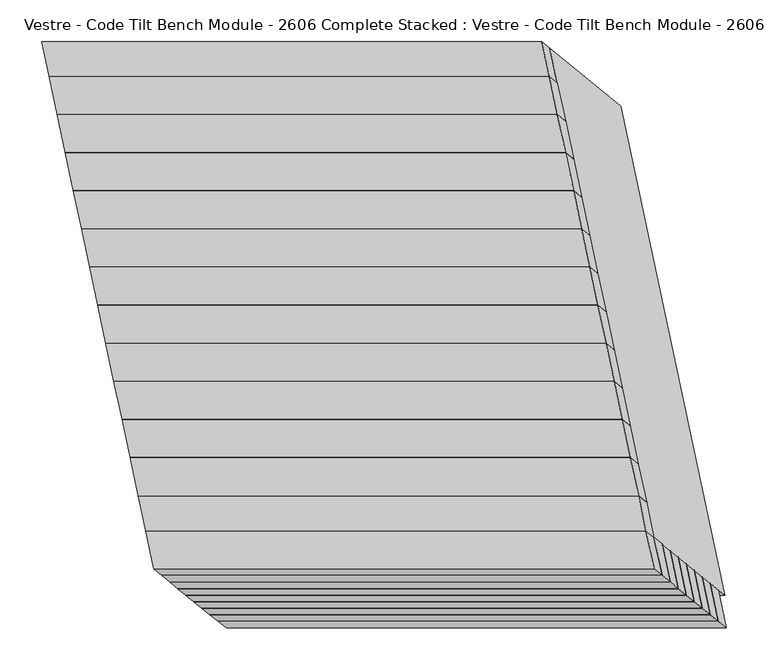
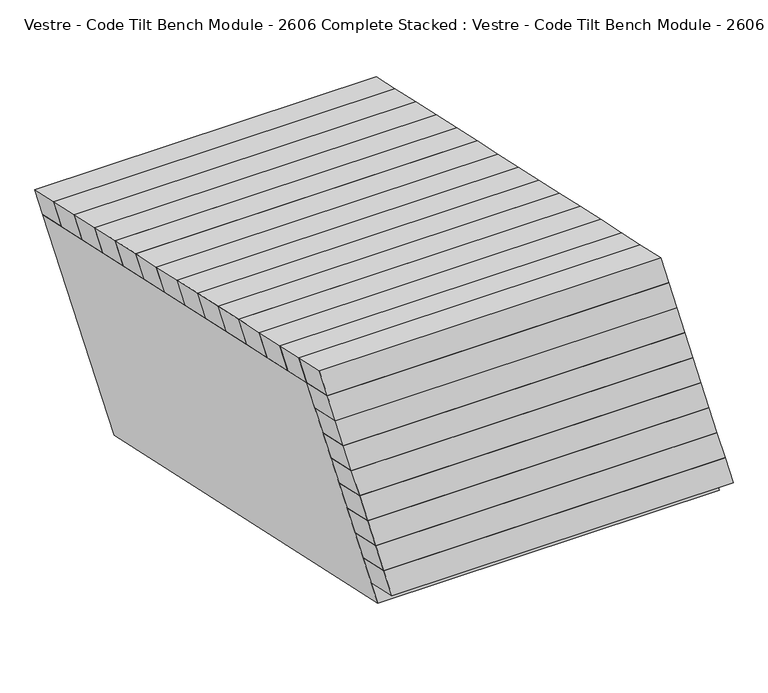
"""IFC4 building model written with IfcOpenShell, lengths in millimetres: furniture geometry, Vestre - Code Tilt Bench Module - 2606 Complete Stacked : Vestre - Code Tilt Bench Module - 2606 Complete Stacked."""

from ifc_helpers import new_model, si_unit, origin, place, context, project, spatial, faceted_brep, source, transform, mapped, element, save


def vestre_code_tilt_bench_module_2606_complete_stacked_vestre_22e9a90b(model_context):
    return source(origin(), model_context, "Body", "Brep", [
        faceted_brep([(-312.8179641, -200.279193, 817.7590999), (287.1820359, -200.279193, 817.7590999), (277.4250054, -154.3759734, 817.7590999), (-322.5749946, -154.3759734, 817.7590999), (-303.1765275, -208.1539076, 772.6919126), (-312.9335581, -162.2506881, 772.6919126), (287.0664419, -162.2506881, 772.6919126), (296.8234725, -208.1539076, 772.6919126)], [[[0, 1, 2, 3]], [[4, 5, 6, 7]], [[4, 7, 1, 0]], [[7, 6, 2, 1]], [[6, 5, 3, 2]], [[5, 4, 0, 3]]]),
        faceted_brep([(-341.1105248, -104.6578383, 862.9456861), (258.8894752, -104.6578383, 862.9456861), (249.1652085, -58.9087607, 862.9456861), (-350.8347915, -58.9087607, 862.9456861), (-331.4646537, -112.5534159, 817.7590999), (-341.1889203, -66.8043382, 817.7590999), (258.8110797, -66.8043382, 817.7590999), (268.5353463, -112.5534159, 817.7590999)], [[[0, 1, 2, 3]], [[4, 5, 6, 7]], [[4, 7, 1, 0]], [[7, 6, 2, 1]], [[6, 5, 3, 2]], [[5, 4, 0, 3]]]),
        faceted_brep([(-350.8347915, -58.9087607, 862.9456861), (249.1652085, -58.9087607, 862.9456861), (239.4409419, -13.159683, 862.9456861), (-360.5590581, -13.159683, 862.9456861), (-341.1889203, -66.8043382, 817.7590999), (-350.913187, -21.0552605, 817.7590999), (249.086813, -21.0552605, 817.7590999), (258.8110797, -66.8043382, 817.7590999)], [[[0, 1, 2, 3]], [[4, 5, 6, 7]], [[4, 7, 1, 0]], [[7, 6, 2, 1]], [[6, 5, 3, 2]], [[5, 4, 0, 3]]]),
        faceted_brep([(-360.5590581, -13.159683, 862.9456861), (239.4409419, -13.159683, 862.9456861), (229.7166753, 32.5893947, 862.9456861), (-370.2833247, 32.5893947, 862.9456861), (-350.913187, -21.0552605, 817.7590999), (-360.6374536, 24.6938171, 817.7590999), (239.3625464, 24.6938171, 817.7590999), (249.086813, -21.0552605, 817.7590999)], [[[0, 1, 2, 3]], [[4, 5, 6, 7]], [[4, 7, 1, 0]], [[7, 6, 2, 1]], [[6, 5, 3, 2]], [[5, 4, 0, 3]]]),
        faceted_brep([(-370.2833247, 32.5893947, 862.9456861), (229.7166753, 32.5893947, 862.9456861), (219.9924086, 78.3384723, 862.9456861), (-380.0075914, 78.3384723, 862.9456861), (-360.6374536, 24.6938171, 817.7590999), (-370.3617203, 70.4428948, 817.7590999), (229.6382797, 70.4428948, 817.7590999), (239.3625464, 24.6938171, 817.7590999)], [[[0, 1, 2, 3]], [[4, 5, 6, 7]], [[4, 7, 1, 0]], [[7, 6, 2, 1]], [[6, 5, 3, 2]], [[5, 4, 0, 3]]]),
        faceted_brep([(-380.0075914, 78.3384723, 862.9456861), (219.9924086, 78.3384723, 862.9456861), (210.268142, 124.08755, 862.9456861), (-389.731858, 124.08755, 862.9456861), (-370.3617203, 70.4428948, 817.7590999), (-380.0859869, 116.1919724, 817.7590999), (219.9140131, 116.1919724, 817.7590999), (229.6382797, 70.4428948, 817.7590999)], [[[0, 1, 2, 3]], [[4, 5, 6, 7]], [[4, 7, 1, 0]], [[7, 6, 2, 1]], [[6, 5, 3, 2]], [[5, 4, 0, 3]]]),
        faceted_brep([(-389.731858, 124.08755, 862.9456861), (210.268142, 124.08755, 862.9456861), (200.5438753, 169.8366276, 862.9456861), (-399.4561247, 169.8366276, 862.9456861), (-380.0859869, 116.1919724, 817.7590999), (-389.8102536, 161.9410501, 817.7590999), (210.1897464, 161.9410501, 817.7590999), (219.9140131, 116.1919724, 817.7590999)], [[[0, 1, 2, 3]], [[4, 5, 6, 7]], [[4, 7, 1, 0]], [[7, 6, 2, 1]], [[6, 5, 3, 2]], [[5, 4, 0, 3]]]),
        faceted_brep([(-399.4561247, 169.8366276, 862.9456861), (200.5438753, 169.8366276, 862.9456861), (190.8196087, 215.5857053, 862.9456861), (-409.1803913, 215.5857053, 862.9456861), (-389.8102536, 161.9410501, 817.7590999), (-399.5345202, 207.6901278, 817.7590999), (200.4654798, 207.6901278, 817.7590999), (210.1897464, 161.9410501, 817.7590999)], [[[0, 1, 2, 3]], [[4, 5, 6, 7]], [[4, 7, 1, 0]], [[7, 6, 2, 1]], [[6, 5, 3, 2]], [[5, 4, 0, 3]]]),
        faceted_brep([(-409.1803913, 215.5857053, 862.9456861), (190.8196087, 215.5857053, 862.9456861), (181.095342, 261.334783, 862.9456861), (-418.904658, 261.334783, 862.9456861), (-399.5345202, 207.6901278, 817.7590999), (-409.2587869, 253.4392054, 817.7590999), (190.7412131, 253.4392054, 817.7590999), (200.4654798, 207.6901278, 817.7590999)], [[[0, 1, 2, 3]], [[4, 5, 6, 7]], [[4, 7, 1, 0]], [[7, 6, 2, 1]], [[6, 5, 3, 2]], [[5, 4, 0, 3]]]),
        faceted_brep([(-418.904658, 261.334783, 862.9456861), (181.095342, 261.334783, 862.9456861), (171.3710754, 307.0838606, 862.9456861), (-428.6289246, 307.0838606, 862.9456861), (-409.2587869, 253.4392054, 817.7590999), (-418.9830535, 299.1882831, 817.7590999), (181.0169465, 299.1882831, 817.7590999), (190.7412131, 253.4392054, 817.7590999)], [[[0, 1, 2, 3]], [[4, 5, 6, 7]], [[4, 7, 1, 0]], [[7, 6, 2, 1]], [[6, 5, 3, 2]], [[5, 4, 0, 3]]]),
        faceted_brep([(-428.6289246, 307.0838606, 862.9456861), (171.3710754, 307.0838606, 862.9456861), (161.6468087, 352.8329383, 862.9456861), (-438.3531913, 352.8329383, 862.9456861), (-418.9830535, 299.1882831, 817.7590999), (-428.7073201, 344.9373608, 817.7590999), (171.2926799, 344.9373608, 817.7590999), (181.0169465, 299.1882831, 817.7590999)], [[[0, 1, 2, 3]], [[4, 5, 6, 7]], [[4, 7, 1, 0]], [[7, 6, 2, 1]], [[6, 5, 3, 2]], [[5, 4, 0, 3]]]),
        faceted_brep([(-438.3531913, 352.8329383, 862.9456861), (161.6468087, 352.8329383, 862.9456861), (151.9225421, 398.5820159, 862.9456861), (-448.0774579, 398.5820159, 862.9456861), (-428.7073201, 344.9373608, 817.7590999), (-438.4315868, 390.6864384, 817.7590999), (161.5684132, 390.6864384, 817.7590999), (171.2926799, 344.9373608, 817.7590999)], [[[0, 1, 2, 3]], [[4, 5, 6, 7]], [[4, 7, 1, 0]], [[7, 6, 2, 1]], [[6, 5, 3, 2]], [[5, 4, 0, 3]]]),
        faceted_brep([(-332.2201025, -146.4839869, 862.9456861), (267.7798975, -146.4839869, 862.9456861), (258.8894752, -104.6578383, 862.9456861), (-341.1105248, -104.6578383, 862.9456861), (-322.5749946, -154.3759734, 817.7590999), (-331.4646537, -112.5534159, 817.7590999), (268.5353463, -112.5534159, 817.7590999), (277.4250054, -154.3759734, 817.7590999)], [[[0, 1, 2, 3]], [[4, 5, 6, 7]], [[4, 7, 1, 0]], [[7, 6, 2, 1]], [[6, 5, 3, 2]], [[5, 4, 0, 3]]]),
        faceted_brep([(152.6779909, 432.512587, 817.7590999), (-447.3220091, 432.512587, 817.7590999), (-322.5749946, -154.3759734, 817.7590999), (277.4250054, -154.3759734, 817.7590999), (-384.6614061, 381.7550373, 817.7590999), (111.5950883, 381.7550373, 817.7590999), (217.200313, -115.0784827, 817.7590999), (-279.0561813, -115.0784827, 817.7590999), (237.6264928, 362.9784336, 419.8134138), (362.3735072, -223.9101268, 419.8134138), (-237.6264928, -223.9101268, 419.8134138), (-362.3735072, 362.9784336, 419.8134138), (196.5435902, 312.2208839, 419.8134138), (-299.7129042, 312.2208839, 419.8134138), (-196.1503245, -175.0027468, 419.8134138), (300.1061699, -175.0027468, 419.8134138), (-269.0294196, -162.2506881, 772.6919126), (237.0291749, -162.2506881, 772.6919126), (308.6447246, -215.1734882, 469.8134138), (-197.4138699, -215.1734882, 469.8134138), (-381.1121334, 378.8497987, 801.1323473), (115.1443609, 378.8497987, 801.1323473), (192.4591078, 315.5642157, 438.9473846), (-303.7973866, 315.5642157, 438.9473846), (-275.5922534, -117.5822061, 801.1323473), (-200.1365927, -172.1214764, 438.9473846), (220.664241, -117.5822061, 801.1323473), (296.1199017, -172.1214764, 438.9473846), (-272.2641384, -147.0325322, 772.6919126), (233.794456, -147.0325322, 772.6919126), (304.4321172, -195.3547287, 469.8134138), (-201.6264773, -195.3547287, 469.8134138), (127.6313712, 402.504945, 801.1323473), (243.4746973, -142.495055, 801.1323473), (-298.365818, -142.495055, 801.1323473), (-414.2091441, 402.504945, 801.1323473), (225.4868228, 342.4122939, 438.9473846), (-343.6743593, 342.4122939, 438.9473846), (-228.3217228, -200.279193, 438.9473846), (340.8394593, -200.279193, 438.9473846)], [[[0, 1, 2, 3], [4, 5, 6, 7]], [[8, 9, 10, 11], [12, 13, 14, 15]], [[1, 0, 8, 11]], [[2, 1, 11, 10]], [[3, 2, 10, 9], [16, 17, 18, 19]], [[0, 3, 9, 8]], [[5, 4, 20, 21]], [[13, 12, 22, 23]], [[4, 7, 24, 20]], [[14, 13, 23, 25]], [[7, 6, 26, 24]], [[15, 14, 25, 27]], [[6, 5, 21, 26]], [[12, 15, 27, 22]], [[17, 16, 28, 29]], [[19, 18, 30, 31]], [[16, 19, 31, 28]], [[18, 17, 29, 30]], [[32, 33, 34, 35], [21, 20, 24, 26]], [[36, 37, 38, 39], [23, 22, 27, 25]], [[32, 35, 37, 36]], [[35, 34, 38, 37]], [[34, 33, 39, 38], [29, 28, 31, 30]], [[33, 32, 36, 39]]]),
        faceted_brep([(-245.4752808, -255.4021953, 502.2887889), (354.5247192, -255.4021953, 502.2887889), (344.7676887, -209.4989758, 502.2887889), (-255.2323113, -209.4989758, 502.2887889), (-235.8338443, -263.2769099, 457.2216016), (-245.5908748, -217.3736904, 457.2216016), (354.4091252, -217.3736904, 457.2216016), (364.1661557, -263.2769099, 457.2216016)], [[[0, 1, 2, 3]], [[4, 5, 6, 7]], [[4, 7, 1, 0]], [[7, 6, 2, 1]], [[6, 5, 3, 2]], [[5, 4, 0, 3]]]),
        faceted_brep([(-255.1167174, -247.5274807, 547.3559762), (344.8832826, -247.5274807, 547.3559762), (335.1262521, -201.6242612, 547.3559762), (-264.8737479, -201.6242612, 547.3559762), (-245.4752808, -255.4021953, 502.2887889), (-255.2323113, -209.4989758, 502.2887889), (344.7676887, -209.4989758, 502.2887889), (354.5247192, -255.4021953, 502.2887889)], [[[0, 1, 2, 3]], [[4, 5, 6, 7]], [[4, 7, 1, 0]], [[7, 6, 2, 1]], [[6, 5, 3, 2]], [[5, 4, 0, 3]]]),
        faceted_brep([(-264.7371007, -239.6527661, 592.4231635), (335.2628993, -239.6527661, 592.4231635), (325.5058687, -193.7495465, 592.4231635), (-274.4941313, -193.7495465, 592.4231635), (-255.0956642, -247.5274807, 547.3559762), (-264.8526947, -201.6242612, 547.3559762), (335.1473053, -201.6242612, 547.3559762), (344.9043358, -247.5274807, 547.3559762)], [[[0, 1, 2, 3]], [[4, 5, 6, 7]], [[4, 7, 1, 0]], [[7, 6, 2, 1]], [[6, 5, 3, 2]], [[5, 4, 0, 3]]]),
        faceted_brep([(-274.3574841, -231.7780515, 637.4903508), (325.6425159, -231.7780515, 637.4903508), (315.8854854, -185.8748319, 637.4903508), (-284.1145146, -185.8748319, 637.4903508), (-264.7160475, -239.6527661, 592.4231635), (-274.473078, -193.7495465, 592.4231635), (325.526922, -193.7495465, 592.4231635), (335.2839525, -239.6527661, 592.4231635)], [[[0, 1, 2, 3]], [[4, 5, 6, 7]], [[4, 7, 1, 0]], [[7, 6, 2, 1]], [[6, 5, 3, 2]], [[5, 4, 0, 3]]]),
        faceted_brep([(-283.9778674, -223.9033368, 682.557538), (316.0221326, -223.9033368, 682.557538), (306.2651021, -178.0001173, 682.557538), (-293.7348979, -178.0001173, 682.557538), (-274.3364308, -231.7780515, 637.4903508), (-284.0934613, -185.8748319, 637.4903508), (315.9065387, -185.8748319, 637.4903508), (325.6635692, -231.7780515, 637.4903508)], [[[0, 1, 2, 3]], [[4, 5, 6, 7]], [[4, 7, 1, 0]], [[7, 6, 2, 1]], [[6, 5, 3, 2]], [[5, 4, 0, 3]]]),
        faceted_brep([(-293.5982507, -216.0286222, 727.6247253), (306.4017493, -216.0286222, 727.6247253), (296.6447188, -170.1254027, 727.6247253), (-303.3552812, -170.1254027, 727.6247253), (-283.9568141, -223.9033368, 682.557538), (-293.7138447, -178.0001173, 682.557538), (306.2861553, -178.0001173, 682.557538), (316.0431859, -223.9033368, 682.557538)], [[[0, 1, 2, 3]], [[4, 5, 6, 7]], [[4, 7, 1, 0]], [[7, 6, 2, 1]], [[6, 5, 3, 2]], [[5, 4, 0, 3]]]),
        faceted_brep([(-303.1765275, -208.1539076, 772.6919126), (296.8234725, -208.1539076, 772.6919126), (287.0664419, -162.2506881, 772.6919126), (-312.9335581, -162.2506881, 772.6919126), (-293.535091, -216.0286222, 727.6247253), (-303.2921215, -170.1254027, 727.6247253), (296.7078785, -170.1254027, 727.6247253), (306.464909, -216.0286222, 727.6247253)], [[[0, 1, 2, 3]], [[4, 5, 6, 7]], [[4, 7, 1, 0]], [[7, 6, 2, 1]], [[6, 5, 3, 2]], [[5, 4, 0, 3]]]),
        faceted_brep([(-448.0774579, 398.5820159, 862.9456861), (151.9225421, 398.5820159, 862.9456861), (143.0321197, 440.4081645, 862.9456861), (-456.9678803, 440.4081645, 862.9456861), (-438.4315868, 390.6864384, 817.7590999), (-447.3220091, 432.512587, 817.7590999), (152.6779909, 432.512587, 817.7590999), (161.5684132, 390.6864384, 817.7590999)], [[[0, 1, 2, 3]], [[4, 5, 6, 7]], [[4, 7, 1, 0]], [[7, 6, 2, 1]], [[6, 5, 3, 2]], [[5, 4, 0, 3]]]),
        faceted_brep([(-322.4638353, -192.3836154, 862.9456861), (277.5361647, -192.3836154, 862.9456861), (267.7798975, -146.4839869, 862.9456861), (-332.2201025, -146.4839869, 862.9456861), (-312.8179641, -200.279193, 817.7590999), (-322.5749946, -154.3759734, 817.7590999), (277.4250054, -154.3759734, 817.7590999), (287.1820359, -200.279193, 817.7590999)], [[[0, 1, 2, 3]], [[4, 5, 6, 7]], [[4, 7, 1, 0]], [[7, 6, 2, 1]], [[6, 5, 3, 2]], [[5, 4, 0, 3]]]),
    ])


if __name__ == "__main__":
    model = new_model("IFC4")
    model_context = context("Model", 3, world=origin())
    ifc_project = project(units=[si_unit("LENGTHUNIT", "METRE", prefix="MILLI")], contexts=[model_context])
    site = spatial("IfcSite", under=ifc_project)
    building = spatial("IfcBuilding", under=site)
    placement = place(None, origin())
    vestre_code_tilt_bench_module_2606_complete_stacked_vestre_shape = vestre_code_tilt_bench_module_2606_complete_stacked_vestre_22e9a90b(model_context)
    element("IfcFurniture", 1, ObjectType="Vestre - Code Tilt Bench Module - 2606 Complete Stacked : Vestre - Code Tilt Bench Module - 2606 Complete Stacked", at=placement, inside=building, context=model_context, shape_type="MappedRepresentation", body=[
        mapped(vestre_code_tilt_bench_module_2606_complete_stacked_vestre_shape, transform((0.0, 0.0, 0.0), x_axis=(1.0, 0.0, 0.0), y_axis=(0.0, 1.0, 0.0), z_axis=(0.0, 0.0, 1.0))),
    ])
    save(model, "model.ifc")
